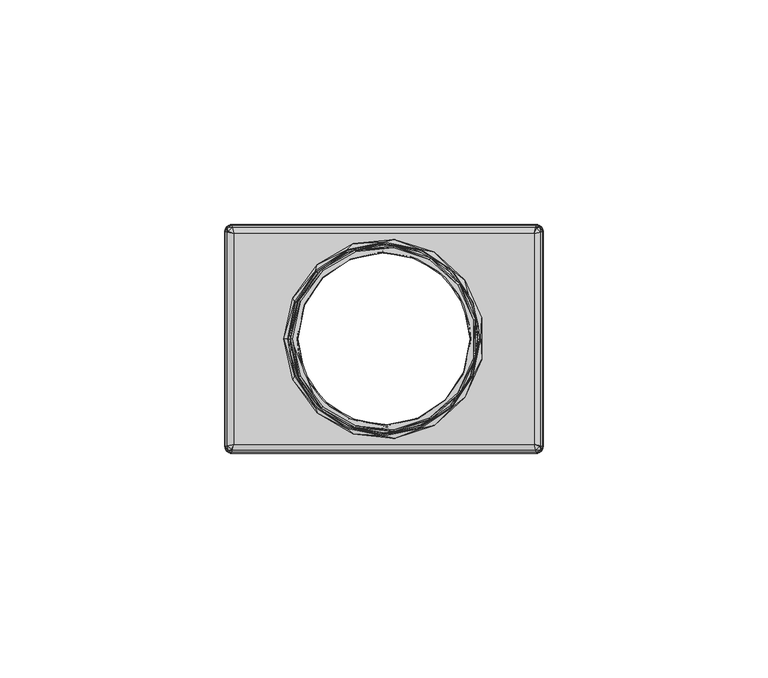
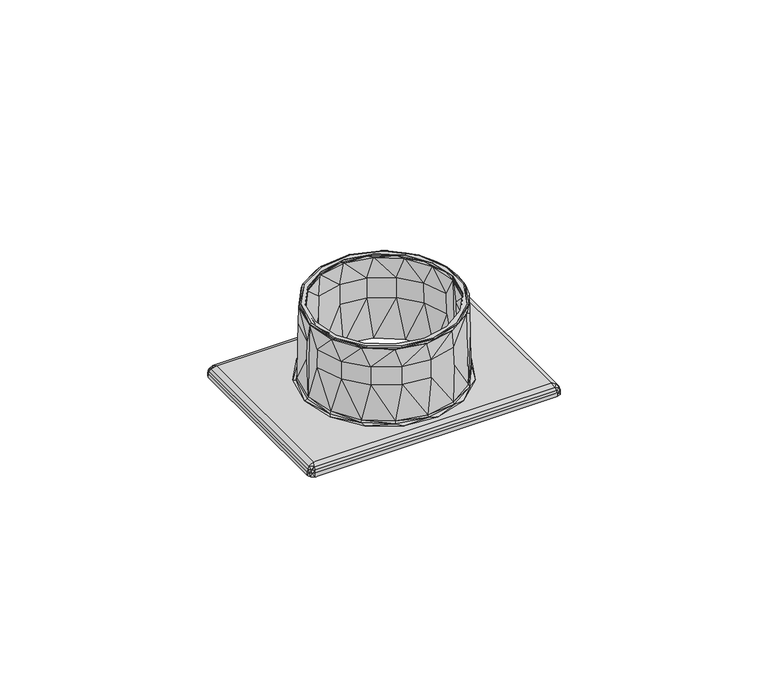
"""IFC4 building model written with IfcOpenShell, lengths in millimetres: furniture geometry."""

from ifc_helpers import new_model, si_unit, origin, place, context, project, spatial, triangles, source, transform, mapped, element, save


def furniture_0f60076c(model_context):
    return source(origin(), model_context, "Body", "Tessellation", [
        triangles([(3961.4238344, 2486.1671333, 765.1670305), (3961.4148233, 2486.1671333, 765.5000044), (3961.6798507, 2483.0501361, 765.0710335), (3962.8808312, 2478.7931285, 765.5000044), (3964.0558322, 2476.4501302, 765.0710335), (3967.0568481, 2472.54113, 765.5000044), (3968.6378563, 2471.1391353, 765.0710335), (3973.30683, 2468.3611299, 765.5000044), (3974.8168396, 2467.8191299, 765.0710335), (3980.6808348, 2466.8911297, 765.5000044), (3981.7758261, 2466.9331329, 765.0710335), (3988.0568381, 2468.3541309, 765.5000044), (3988.5898361, 2468.596131, 765.0710335), (3994.3118342, 2472.527132, 765.5000044), (3994.3578343, 2472.5891286, 765.0710335), (3998.3128255, 2478.3821343, 765.0710335), (3994.2968279, 2472.5491328, 764.4999928), (3998.4708463, 2478.7891317, 764.4999928), (3999.93184, 2485.2071356, 765.0710335), (3999.9498258, 2486.1671333, 764.8329666), (3999.9578559, 2486.1671333, 765.1670305), (3999.9668306, 2486.1671333, 765.5000044), (3998.4938464, 2478.777132, 765.5000044), (3999.9408511, 2486.1671333, 764.4999928), (3988.0538586, 2468.3811323, 764.4999928), (3980.690827, 2466.9171319, 764.4999928), (3973.3278316, 2468.3811323, 764.4999928), (3967.0848261, 2472.5491328, 764.4999928), (3962.9108439, 2478.7891317, 764.4999928), (3961.4408392, 2486.1671333, 764.4999928), (3961.4318281, 2486.1671333, 764.8329666), (3999.7018395, 2489.2841306, 765.0710335), (3998.5008227, 2493.5411291, 765.5000044), (3997.3258581, 2495.8841274, 765.0710335), (3994.3248421, 2499.7931276, 765.5000044), (3992.743834, 2501.1951314, 765.0710335), (3988.0748239, 2503.9731322, 765.5000044), (3986.5648507, 2504.5151322, 765.0710335), (3980.7008554, 2505.4431279, 765.5000044), (3979.6058278, 2505.4011337, 765.0710335), (3973.3248521, 2503.9801358, 765.5000044), (3972.7918542, 2503.7381357, 765.0710335), (3967.069856, 2499.8071347, 765.5000044), (3967.0238559, 2499.7451291, 765.0710335), (3963.0688285, 2493.9521324, 765.0710335), (3967.0848261, 2499.7851339, 764.4999928), (3962.9108439, 2493.545135, 764.4999928), (3961.4498502, 2487.1271311, 765.0710335), (3962.8878439, 2493.5571347, 765.5000044), (3973.3278316, 2503.9531298, 764.4999928), (3980.690827, 2505.4171302, 764.4999928), (3988.0538586, 2503.9531298, 764.4999928), (3994.2968279, 2499.7851339, 764.4999928), (3998.4708463, 2493.545135, 764.4999928), (4014.6918402, 2460.6671319, 740.0000347), (4014.663826, 2460.6951325, 741.0520054), (3946.68985, 2460.6671319, 740.0000347), (3946.717828, 2460.6951325, 741.0520054), (3962.0398578, 2494.4711323, 765.5000044), (3959.9218548, 2486.2401303, 765.3540104), (3960.2748493, 2486.1671333, 765.5000044), (3961.7018334, 2477.7531302, 765.3540104), (3962.0398578, 2477.8631344, 765.5000044), (3966.7658412, 2470.7571365, 765.3540104), (3967.0298512, 2470.9951306, 765.5000044), (3974.2378415, 2466.4251334, 765.3540104), (3974.381837, 2466.7501318, 765.5000044), (3982.8248537, 2465.5071299, 765.3540104), (3982.8248537, 2465.863131, 765.5000044), (3991.0438287, 2468.1621322, 765.3540104), (3990.8988521, 2468.4861314, 765.5000044), (3997.4718521, 2473.9291358, 765.3540104), (3997.207842, 2474.16713, 765.5000044), (4000.9988534, 2481.8131295, 765.3540104), (4000.6608289, 2481.9221345, 765.5000044), (4001.0138234, 2490.4491303, 765.3540104), (4000.6608289, 2490.4121322, 765.5000044), (3997.5148364, 2498.3451327, 765.3540104), (3997.207842, 2498.1671276, 765.5000044), (3991.107851, 2504.1351318, 765.3540104), (3990.8988521, 2503.8481308, 765.5000044), (3982.8988317, 2506.819134, 765.3540104), (3982.8248537, 2506.4711357, 765.5000044), (3974.3078227, 2505.9311341, 765.3540104), (3974.381837, 2505.5841349, 765.5000044), (3966.8208523, 2501.626128, 765.3540104), (3967.0298512, 2501.339136, 765.5000044), (3961.7318461, 2494.6481291, 765.3540104), (3961.3668248, 2494.1711324, 765.0089733), (3959.7748435, 2486.1671333, 765.0089733), (3961.3668248, 2478.1631343, 765.0089733), (3965.9008504, 2471.3771295, 765.0089733), (3972.686846, 2466.8431312, 765.0089733), (3980.690827, 2465.2511317, 765.0089733), (3988.6948442, 2466.8431312, 765.0089733), (3995.4808399, 2471.3771295, 765.0089733), (4000.0148291, 2478.1631343, 765.0089733), (4001.6068468, 2486.1671333, 765.0089733), (4000.0148291, 2494.1711324, 765.0089733), (3995.4808399, 2500.9571281, 765.0089733), (3988.6948442, 2505.4911355, 765.0089733), (3980.690827, 2507.083135, 765.0089733), (3972.686846, 2505.4911355, 765.0089733), (3965.9008504, 2500.9571281, 765.0089733), (4001.7898298, 2486.1671333, 754.4960249), (4001.9738302, 2486.1671333, 743.9830038), (4001.5118308, 2489.5801336, 754.4960249), (4000.3538346, 2494.3121304, 743.9830038), (3998.9098457, 2496.8091346, 754.4960249), (3995.7398357, 2501.216133, 743.9830038), (3993.891838, 2502.6261305, 754.4960249), (3988.835824, 2505.8301319, 743.9830038), (3987.1238282, 2506.2621277, 754.4960249), (3980.690827, 2507.4501275, 743.9830038), (3979.5028544, 2507.2331349, 754.4960249), (3972.5458299, 2505.8301319, 743.9830038), (3972.0398288, 2505.4111349, 754.4960249), (3965.6418545, 2501.216133, 743.9830038), (3965.7228452, 2501.0381279, 754.4960249), (3961.3908422, 2494.69313, 754.4960249), (3961.4748487, 2494.6561319, 759.7520267), (3965.7878485, 2500.9731337, 759.7520267), (3959.7088228, 2487.213136, 759.7520267), (3959.5918241, 2486.1671333, 754.4960249), (3959.61784, 2487.2181321, 754.4960249), (3959.4078237, 2486.1671333, 743.9830038), (3961.0278556, 2494.3121304, 743.9830038), (3972.0768542, 2505.3271284, 759.7520267), (3979.5078323, 2507.1411347, 759.7520267), (3987.0958502, 2506.1741334, 759.7520267), (3993.8348284, 2502.5551319, 759.7520267), (3998.8308534, 2496.7631345, 759.7520267), (4001.421829, 2489.5661355, 759.7520267), (3959.8698231, 2482.7541331, 754.4960249), (3961.0278556, 2478.0221363, 743.9830038), (3962.4718445, 2475.5251321, 754.4960249), (3965.6418545, 2471.1181337, 743.9830038), (3967.4898522, 2469.7081316, 754.4960249), (3972.5458299, 2466.5041302, 743.9830038), (3974.2578257, 2466.0721299, 754.4960249), (3980.690827, 2464.8841301, 743.9830038), (3981.8788358, 2465.1011318, 754.4960249), (3988.835824, 2466.5041302, 743.9830038), (3989.3418251, 2466.9231317, 754.4960249), (3995.7398357, 2471.1181337, 743.9830038), (3995.658845, 2471.2961297, 754.4960249), (3999.990848, 2477.6411276, 754.4960249), (3999.9068415, 2477.6781348, 759.7520267), (3995.5938417, 2471.361133, 759.7520267), (4001.6728311, 2485.1211307, 759.7520267), (4001.7638503, 2485.1161346, 754.4960249), (4000.3538346, 2478.0221363, 743.9830038), (3989.304836, 2467.0071337, 759.7520267), (3981.8738579, 2465.193132, 759.7520267), (3974.28584, 2466.1601333, 759.7520267), (3967.5468255, 2469.7791302, 759.7520267), (3962.5508368, 2475.5711322, 759.7520267), (3959.9598249, 2482.7681312, 759.7520267), (3960.3348384, 2477.1041328, 742.9999969), (3960.742844, 2477.9451334, 743.2930023), (3958.4078484, 2486.1671333, 742.9999969), (3959.1148547, 2486.1671333, 743.2930023), (3960.7718393, 2494.4581334, 743.2930023), (3965.4078572, 2470.9371309, 743.2930023), (3965.7808359, 2469.6081332, 742.9999969), (3972.3998359, 2466.2481321, 743.2930023), (3973.8048374, 2464.9751311, 742.9999969), (3980.6538379, 2464.5911338, 743.2930023), (3983.0198272, 2464.0061314, 742.9999969), (3988.9128542, 2466.2191322, 743.2930023), (3991.8318257, 2466.8701326, 742.9999969), (3995.9208566, 2470.8841363, 743.2930023), (3998.7178516, 2473.0701312, 742.9999969), (4000.6098509, 2477.8761332, 743.2930023), (4002.4868439, 2481.5341313, 742.9999969), (4002.2658545, 2486.0911296, 743.2930023), (4002.4868439, 2490.8001354, 742.9999969), (3998.7178516, 2499.2641355, 742.9999969), (3991.8318257, 2505.4641295, 742.9999969), (3995.973833, 2501.3971358, 743.2930023), (4000.6388463, 2494.3891333, 743.2930023), (3988.9818543, 2506.0861301, 743.2930023), (3983.0198272, 2508.3281353, 742.9999969), (3980.7278523, 2507.7431329, 743.2930023), (3973.8048374, 2507.3591356, 742.9999969), (3972.4688361, 2506.1151345, 743.2930023), (3965.7808359, 2502.7261335, 742.9999969), (3965.4608336, 2501.4501304, 743.2930023), (3960.3348384, 2495.2301339, 742.9999969), (4015.4128355, 2460.8961332, 741.0669754), (4014.6208417, 2460.8661341, 741.8109707), (4015.6438533, 2461.3311311, 741.8289928), (4014.5098383, 2461.3091303, 742.4429815), (4015.328829, 2462.1811338, 742.6080151), (4014.1638565, 2462.6941339, 742.9999969), (4015.5488373, 2462.3481339, 742.4429815), (4015.9918336, 2462.2371305, 741.8109707), (4015.9618572, 2461.4451322, 741.0669754), (4016.162826, 2462.1941326, 741.0520054), (3947.2178338, 2509.6401283, 742.9999969), (3945.8328529, 2509.9861282, 742.4429815), (3947.2178338, 2462.6941339, 742.9999969), (3945.8328529, 2462.3481339, 742.4429815), (3945.3898567, 2462.2371305, 741.8109707), (3945.3898567, 2510.0971316, 741.8109707), (3945.2188279, 2462.1941326, 741.0520054), (3945.2188279, 2510.1401341, 741.0520054), (4014.1638565, 2509.6401283, 742.9999969), (3946.717828, 2511.6391342, 741.0520054), (3945.9688548, 2511.438129, 741.0669754), (3946.7608486, 2511.4681326, 741.8109707), (3945.7378369, 2511.0031356, 741.8289928), (3946.871852, 2511.0251364, 742.4429815), (3946.0528249, 2510.1531329, 742.6080151), (3945.4198331, 2510.8891345, 741.0669754), (3962.679826, 2478.6931346, 764.4999928), (3961.1908544, 2486.1671333, 764.4999928), (3962.679826, 2493.6411321, 764.4999928), (3966.9088557, 2499.9621307, 764.4999928), (3973.2328519, 2504.1841295, 764.4999928), (3980.690827, 2505.6671331, 764.4999928), (3988.1488383, 2504.1841295, 764.4999928), (3994.4728346, 2499.9621307, 764.4999928), (3998.7018279, 2493.6411321, 764.4999928), (4000.1908358, 2486.1671333, 764.4999928), (3998.7018279, 2478.6931346, 764.4999928), (3994.4728346, 2472.372136, 764.4999928), (3988.1488383, 2468.1501326, 764.4999928), (3980.690827, 2466.6671336, 764.4999928), (3973.2328519, 2468.1501326, 764.4999928), (3966.9088557, 2472.372136, 764.4999928), (3999.0968256, 2493.8041309, 740.0000347), (4016.1908403, 2510.1681302, 740.0000347), (4000.6188257, 2486.1671333, 740.0000347), (4016.1908403, 2462.166132, 740.0000347), (3999.0968256, 2478.5301358, 740.0000347), (3994.775832, 2472.0701286, 740.0000347), (3988.3128544, 2467.7551304, 740.0000347), (3980.690827, 2466.2391301, 740.0000347), (3973.0688358, 2467.7551304, 740.0000347), (3966.6058582, 2472.0701286, 740.0000347), (3945.1908499, 2462.166132, 740.0000347), (3962.2848283, 2478.5301358, 740.0000347), (3960.7628282, 2486.1671333, 740.0000347), (3945.1908499, 2510.1681302, 740.0000347), (3962.2848283, 2493.8041309, 740.0000347), (3966.6058582, 2500.264129, 740.0000347), (3946.68985, 2511.6671303, 740.0000347), (3973.0688358, 2504.5791363, 740.0000347), (3980.690827, 2506.0951321, 740.0000347), (4014.6918402, 2511.6671303, 740.0000347), (3988.3128544, 2504.5791363, 740.0000347), (3994.775832, 2500.264129, 740.0000347), (3945.6298493, 2461.1061312, 740.0000347), (3945.6298493, 2511.2281309, 740.0000347), (4015.7518409, 2511.2281309, 740.0000347), (4015.7518409, 2461.1061312, 740.0000347), (3946.7608486, 2460.8661341, 741.8109707), (3946.871852, 2461.3091303, 742.4429815), (3945.4198331, 2461.4451322, 741.0669754), (3945.8548356, 2461.2141325, 741.8289928), (3946.7048564, 2461.5291341, 742.6080151), (3945.9688548, 2460.8961332, 741.0669754), (4014.663826, 2511.6391342, 741.0520054), (4015.4128355, 2511.438129, 741.0669754), (4015.9618572, 2510.8891345, 741.0669754), (4016.162826, 2510.1401341, 741.0520054), (4015.9918336, 2510.0971316, 741.8109707), (4015.5268547, 2511.1201342, 741.8289928), (4015.5488373, 2509.9861282, 742.4429815), (4014.6768339, 2510.805128, 742.6080151), (4014.5098383, 2511.0251364, 742.4429815), (4014.6208417, 2511.4681326, 741.8109707), (3960.9768413, 2486.1671333, 752.2500137), (3961.3418263, 2482.995134, 758.3750032), (3963.7608284, 2476.2781294, 758.3750032), (3968.4238432, 2470.8721276, 758.3750032), (3974.7128488, 2467.4941316, 758.3750032), (3981.7948293, 2466.5911298, 758.3750032), (3988.7298348, 2468.2841315, 758.3750032), (3994.5998253, 2472.3481276, 758.3750032), (3998.6258514, 2478.244134, 758.3750032), (3998.7238469, 2478.2011316, 752.2500137), (3994.6758381, 2472.2731322, 752.2500137), (4000.3798504, 2485.1851348, 752.2500137), (4000.4048489, 2486.1671333, 752.2500137), (4000.2738249, 2485.1901308, 758.3750032), (3988.7738365, 2468.1871307, 752.2500137), (3981.8008246, 2466.4841324, 752.2500137), (3974.6798566, 2467.3921302, 752.2500137), (3968.3568414, 2470.7881302, 752.2500137), (3963.6678471, 2476.2241356, 752.2500137), (3961.2368545, 2482.9781292, 752.2500137), (4000.0398276, 2489.3391327, 758.3750032), (3997.6208255, 2496.0561282, 758.3750032), (3992.9578471, 2501.46213, 758.3750032), (3986.6688414, 2504.8401306, 758.3750032), (3979.5868246, 2505.7431278, 758.3750032), (3972.6518554, 2504.0501352, 758.3750032), (3966.7818286, 2499.98613, 758.3750032), (3962.7558388, 2494.0901327, 758.3750032), (3962.6578434, 2494.1331351, 752.2500137), (3966.7058521, 2500.0611345, 752.2500137), (3961.0018398, 2487.1491319, 752.2500137), (3961.107829, 2487.1441358, 758.3750032), (3972.6078538, 2504.1471314, 752.2500137), (3979.5808293, 2505.8501343, 752.2500137), (3986.7018336, 2504.942132, 752.2500137), (3993.0248488, 2501.5461274, 752.2500137), (3997.7138431, 2496.1101311, 752.2500137), (4000.1448357, 2489.3561284, 752.2500137)], [[3, 1, 2], [4, 3, 2], [3, 4, 5], [6, 5, 4], [5, 6, 7], [8, 7, 6], [7, 8, 9], [10, 9, 8], [9, 10, 11], [12, 11, 10], [11, 12, 13], [14, 13, 12], [13, 14, 15], [16, 15, 14], [17, 15, 16], [17, 16, 18], [19, 18, 16], [18, 19, 20], [20, 19, 21], [22, 21, 19], [22, 19, 23], [16, 23, 19], [23, 16, 14], [20, 24, 18], [15, 17, 13], [25, 13, 17], [13, 25, 11], [26, 11, 25], [11, 26, 9], [27, 9, 26], [9, 27, 7], [28, 7, 27], [7, 28, 5], [29, 5, 28], [5, 29, 3], [30, 3, 29], [3, 30, 31], [31, 1, 3], [32, 21, 22], [33, 32, 22], [32, 33, 34], [35, 34, 33], [34, 35, 36], [37, 36, 35], [36, 37, 38], [39, 38, 37], [38, 39, 40], [41, 40, 39], [40, 41, 42], [43, 42, 41], [42, 43, 44], [45, 44, 43], [46, 44, 45], [46, 45, 47], [48, 47, 45], [47, 48, 31], [31, 48, 1], [2, 1, 48], [2, 48, 49], [45, 49, 48], [49, 45, 43], [31, 30, 47], [44, 46, 42], [50, 42, 46], [42, 50, 40], [51, 40, 50], [40, 51, 38], [52, 38, 51], [38, 52, 36], [53, 36, 52], [36, 53, 34], [54, 34, 53], [34, 54, 32], [24, 32, 54], [32, 24, 20], [20, 21, 32], [55, 56, 57], [57, 56, 58], [59, 60, 61], [62, 61, 60], [61, 62, 63], [64, 63, 62], [63, 64, 65], [66, 65, 64], [65, 66, 67], [68, 67, 66], [67, 68, 69], [70, 69, 68], [69, 70, 71], [72, 71, 70], [71, 72, 73], [74, 73, 72], [73, 74, 75], [76, 75, 74], [75, 76, 77], [78, 77, 76], [77, 78, 79], [80, 79, 78], [79, 80, 81], [82, 81, 80], [81, 82, 83], [84, 83, 82], [83, 84, 85], [86, 85, 84], [85, 86, 87], [88, 87, 86], [87, 88, 59], [60, 59, 88], [89, 90, 60], [60, 90, 91], [60, 91, 92], [93, 64, 92], [62, 92, 64], [92, 62, 60], [64, 93, 66], [94, 66, 93], [66, 94, 68], [95, 68, 94], [68, 95, 70], [96, 70, 95], [70, 96, 72], [97, 72, 96], [72, 97, 74], [98, 74, 97], [74, 98, 76], [99, 76, 98], [76, 99, 78], [100, 78, 99], [78, 100, 80], [101, 80, 100], [80, 101, 82], [102, 82, 101], [82, 102, 84], [103, 84, 102], [84, 103, 86], [104, 86, 103], [86, 104, 88], [89, 88, 104], [88, 89, 60], [107, 105, 106], [107, 106, 108], [107, 108, 109], [109, 108, 110], [109, 110, 111], [111, 110, 112], [111, 112, 113], [113, 112, 114], [113, 114, 115], [115, 114, 116], [115, 116, 117], [117, 116, 118], [117, 118, 119], [120, 119, 118], [119, 120, 121], [119, 121, 122], [104, 122, 121], [104, 121, 89], [89, 121, 123], [89, 123, 90], [90, 123, 124], [124, 123, 125], [126, 124, 125], [126, 125, 127], [127, 125, 120], [127, 120, 118], [122, 104, 128], [128, 104, 103], [128, 103, 129], [129, 103, 102], [129, 102, 130], [130, 102, 101], [130, 101, 131], [131, 101, 100], [131, 100, 132], [132, 100, 99], [132, 99, 133], [133, 99, 98], [105, 133, 98], [133, 105, 107], [132, 133, 107], [132, 107, 109], [121, 120, 125], [121, 125, 123], [117, 119, 122], [117, 122, 128], [115, 117, 128], [115, 128, 129], [113, 115, 129], [113, 129, 130], [132, 109, 111], [132, 111, 131], [131, 111, 113], [131, 113, 130], [134, 124, 126], [134, 126, 135], [134, 135, 136], [136, 135, 137], [136, 137, 138], [138, 137, 139], [138, 139, 140], [140, 139, 141], [140, 141, 142], [142, 141, 143], [142, 143, 144], [144, 143, 145], [144, 145, 146], [147, 146, 145], [146, 147, 148], [146, 148, 149], [96, 149, 148], [96, 148, 97], [97, 148, 150], [97, 150, 98], [98, 150, 105], [105, 150, 151], [106, 105, 151], [106, 151, 152], [152, 151, 147], [152, 147, 145], [149, 96, 153], [153, 96, 95], [153, 95, 154], [154, 95, 94], [154, 94, 155], [155, 94, 93], [155, 93, 156], [156, 93, 92], [156, 92, 157], [157, 92, 91], [157, 91, 158], [158, 91, 90], [124, 158, 90], [158, 124, 134], [157, 158, 134], [157, 134, 136], [148, 147, 151], [148, 151, 150], [144, 146, 149], [144, 149, 153], [142, 144, 153], [142, 153, 154], [140, 142, 154], [140, 154, 155], [157, 136, 138], [157, 138, 156], [156, 138, 140], [156, 140, 155], [23, 75, 22], [77, 22, 75], [22, 77, 33], [79, 33, 77], [33, 79, 35], [81, 35, 79], [35, 81, 37], [83, 37, 81], [37, 83, 39], [85, 39, 83], [39, 85, 41], [87, 41, 85], [41, 87, 43], [59, 43, 87], [43, 59, 49], [61, 49, 59], [49, 61, 2], [4, 2, 61], [63, 4, 61], [4, 63, 6], [65, 6, 63], [6, 65, 8], [67, 8, 65], [8, 67, 10], [69, 10, 67], [10, 69, 12], [71, 12, 69], [12, 71, 14], [73, 14, 71], [14, 73, 23], [75, 23, 73], [159, 160, 161], [161, 160, 162], [161, 162, 163], [163, 162, 127], [163, 127, 118], [160, 159, 164], [165, 164, 159], [164, 165, 166], [167, 166, 165], [166, 167, 168], [169, 168, 167], [168, 169, 170], [171, 170, 169], [170, 171, 172], [173, 172, 171], [172, 173, 174], [175, 174, 173], [174, 175, 176], [177, 176, 175], [176, 177, 178], [179, 180, 178], [181, 178, 180], [178, 181, 176], [176, 181, 106], [176, 106, 152], [180, 179, 182], [183, 182, 179], [182, 183, 184], [185, 184, 183], [184, 185, 186], [187, 186, 185], [186, 187, 188], [189, 188, 187], [188, 189, 163], [161, 163, 189], [127, 162, 126], [126, 162, 160], [126, 160, 135], [164, 135, 160], [135, 164, 137], [166, 137, 164], [137, 166, 139], [168, 139, 166], [139, 168, 141], [170, 141, 168], [141, 170, 143], [172, 143, 170], [143, 172, 145], [174, 145, 172], [145, 174, 152], [176, 152, 174], [163, 118, 188], [188, 118, 116], [188, 116, 186], [186, 116, 114], [186, 114, 184], [184, 114, 112], [184, 112, 182], [182, 112, 110], [182, 110, 180], [180, 110, 108], [180, 108, 181], [181, 108, 106], [56, 190, 191], [191, 190, 192], [191, 192, 193], [193, 192, 194], [193, 194, 195], [195, 194, 196], [196, 194, 192], [196, 192, 197], [197, 192, 198], [197, 198, 199], [190, 198, 192], [202, 200, 201], [203, 202, 201], [204, 203, 201], [204, 201, 205], [206, 204, 205], [206, 205, 207], [200, 183, 208], [208, 183, 179], [208, 179, 178], [202, 161, 200], [200, 161, 189], [200, 189, 187], [195, 169, 202], [202, 169, 167], [202, 167, 165], [208, 175, 195], [195, 175, 173], [195, 173, 171], [200, 187, 185], [200, 185, 183], [208, 178, 177], [208, 177, 175], [195, 171, 169], [165, 159, 202], [202, 159, 161], [209, 210, 211], [211, 210, 212], [211, 212, 213], [213, 212, 214], [213, 214, 200], [200, 214, 201], [201, 214, 212], [201, 212, 205], [205, 212, 215], [205, 215, 207], [210, 215, 212], [216, 217, 30], [218, 30, 217], [30, 218, 47], [219, 47, 218], [47, 219, 46], [220, 46, 219], [46, 220, 50], [221, 50, 220], [50, 221, 51], [52, 51, 221], [222, 52, 221], [53, 52, 222], [223, 53, 222], [54, 53, 223], [224, 54, 223], [24, 54, 224], [225, 24, 224], [226, 24, 225], [24, 226, 18], [227, 18, 226], [18, 227, 17], [228, 17, 227], [17, 228, 25], [229, 25, 228], [25, 229, 26], [27, 26, 229], [230, 27, 229], [28, 27, 230], [231, 28, 230], [29, 28, 231], [216, 29, 231], [30, 29, 216], [234, 232, 233], [235, 234, 233], [234, 235, 236], [236, 235, 237], [237, 235, 55], [238, 237, 55], [239, 238, 55], [57, 239, 55], [239, 57, 240], [240, 57, 241], [241, 57, 242], [241, 242, 243], [244, 243, 242], [245, 244, 242], [244, 245, 246], [246, 245, 247], [247, 245, 248], [249, 247, 248], [250, 249, 248], [251, 250, 248], [250, 251, 252], [252, 251, 253], [253, 251, 233], [253, 233, 232], [57, 254, 242], [245, 255, 248], [251, 256, 233], [235, 257, 55], [56, 191, 58], [58, 191, 258], [258, 191, 259], [259, 191, 193], [259, 193, 195], [195, 202, 259], [206, 260, 204], [204, 260, 261], [204, 261, 203], [203, 261, 262], [203, 262, 202], [202, 262, 259], [259, 262, 261], [259, 261, 258], [258, 261, 263], [258, 263, 58], [260, 263, 261], [251, 264, 265], [251, 265, 256], [256, 265, 266], [256, 266, 233], [233, 266, 267], [267, 266, 268], [268, 266, 269], [268, 269, 270], [270, 269, 271], [270, 271, 208], [208, 271, 272], [272, 271, 269], [272, 269, 273], [273, 269, 265], [273, 265, 264], [266, 265, 269], [199, 267, 197], [197, 267, 268], [197, 268, 196], [196, 268, 270], [196, 270, 208], [208, 195, 196], [233, 267, 199], [233, 199, 235], [235, 199, 198], [235, 198, 257], [257, 198, 190], [257, 190, 55], [55, 190, 56], [57, 58, 263], [57, 263, 254], [254, 263, 260], [254, 260, 242], [242, 260, 206], [206, 207, 245], [242, 206, 245], [264, 209, 273], [273, 209, 211], [273, 211, 272], [272, 211, 213], [272, 213, 200], [200, 208, 272], [248, 209, 264], [248, 264, 251], [245, 207, 215], [245, 215, 255], [255, 215, 210], [255, 210, 248], [248, 210, 209], [274, 217, 275], [275, 217, 216], [275, 216, 276], [276, 216, 231], [276, 231, 277], [277, 231, 230], [277, 230, 278], [278, 230, 229], [278, 229, 279], [279, 229, 228], [279, 228, 280], [280, 228, 227], [280, 227, 281], [282, 281, 227], [281, 282, 283], [281, 283, 284], [237, 284, 283], [237, 283, 236], [236, 283, 285], [236, 285, 234], [234, 285, 286], [286, 285, 287], [286, 287, 225], [225, 287, 226], [226, 287, 282], [226, 282, 227], [284, 237, 288], [288, 237, 238], [288, 238, 289], [289, 238, 239], [289, 239, 290], [290, 239, 240], [290, 240, 291], [291, 240, 241], [291, 241, 292], [292, 241, 243], [292, 243, 293], [293, 243, 244], [293, 244, 274], [293, 274, 275], [282, 287, 285], [282, 285, 283], [280, 281, 284], [280, 284, 288], [279, 280, 288], [279, 288, 289], [278, 279, 289], [278, 289, 290], [277, 278, 290], [277, 290, 291], [293, 275, 276], [293, 276, 292], [292, 276, 277], [292, 277, 291], [286, 225, 294], [294, 225, 224], [294, 224, 295], [295, 224, 223], [295, 223, 296], [296, 223, 222], [296, 222, 297], [297, 222, 221], [297, 221, 298], [298, 221, 220], [298, 220, 299], [299, 220, 219], [299, 219, 300], [301, 300, 219], [300, 301, 302], [300, 302, 303], [247, 303, 302], [247, 302, 246], [246, 302, 304], [246, 304, 244], [244, 304, 274], [274, 304, 305], [274, 305, 217], [217, 305, 218], [218, 305, 301], [218, 301, 219], [303, 247, 306], [306, 247, 249], [306, 249, 307], [307, 249, 250], [307, 250, 308], [308, 250, 252], [308, 252, 309], [309, 252, 253], [309, 253, 310], [310, 253, 232], [310, 232, 311], [311, 232, 234], [311, 234, 286], [311, 286, 294], [301, 305, 304], [301, 304, 302], [299, 300, 303], [299, 303, 306], [298, 299, 306], [298, 306, 307], [297, 298, 307], [297, 307, 308], [296, 297, 308], [296, 308, 309], [311, 294, 295], [311, 295, 310], [310, 295, 296], [310, 296, 309]]),
    ])


if __name__ == "__main__":
    model = new_model("IFC4")
    model_context = context("Model", 3, world=origin())
    ifc_project = project(units=[si_unit("LENGTHUNIT", "METRE", prefix="MILLI")], contexts=[model_context])
    site = spatial("IfcSite", under=ifc_project)
    building = spatial("IfcBuilding", under=site)
    placement = place(None, origin())
    furniture_shape = furniture_0f60076c(model_context)
    element("IfcFurniture", 1, at=placement, inside=building, context=model_context, shape_type="MappedRepresentation", body=[
        mapped(furniture_shape, transform((0.0, 0.0, 0.0), x_axis=(1.0, 0.0, 0.0), y_axis=(0.0, 1.0, 0.0), z_axis=(0.0, 0.0, 1.0))),
    ])
    save(model, "model.ifc")
